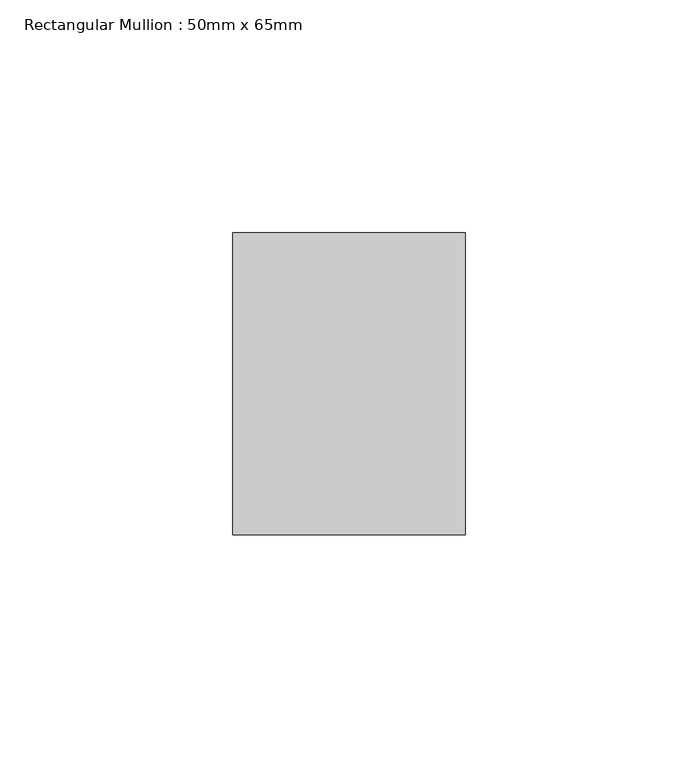
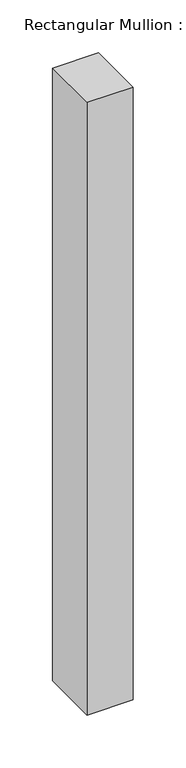
"""IFC4 building model written with IfcOpenShell, lengths in millimetres: member geometry, Rectangular Mullion : 50mm x 65mm."""

from ifc_helpers import new_model, si_unit, frame, origin, place, context, project, spatial, polyline, outline, extrude, source, transform, mapped, element, save


def rectangular_mullion_50mm_x_65mm_1da7406b(model_context):
    return source(origin(), model_context, "Body", "SweptSolid", [
        extrude(outline(polyline([(25.0, 32.5), (25.0, -32.5), (-25.0, -32.5), (-25.0, 32.5), (25.0, 32.5)])), frame((0.0, 0.0, -705.7728426), z_axis=(0.0, 0.0, 1.0), x_axis=(1.0, 0.0, 0.0)), (0.0, 0.0, 1.0), 705.7728426),
    ])


if __name__ == "__main__":
    model = new_model("IFC4")
    model_context = context("Model", 3, world=origin())
    ifc_project = project(units=[si_unit("LENGTHUNIT", "METRE", prefix="MILLI")], contexts=[model_context])
    site = spatial("IfcSite", under=ifc_project)
    building = spatial("IfcBuilding", under=site)
    placement = place(None, origin())
    rectangular_mullion_50mm_x_65mm_shape = rectangular_mullion_50mm_x_65mm_1da7406b(model_context)
    element("IfcMember", 1, ObjectType="Rectangular Mullion : 50mm x 65mm", at=placement, inside=building, context=model_context, shape_type="MappedRepresentation", body=[
        mapped(rectangular_mullion_50mm_x_65mm_shape, transform((0.0, 0.0, 0.0), x_axis=(1.0, 0.0, 0.0), y_axis=(0.0, 1.0, 0.0), z_axis=(0.0, 0.0, 1.0))),
    ])
    save(model, "model.ifc")
